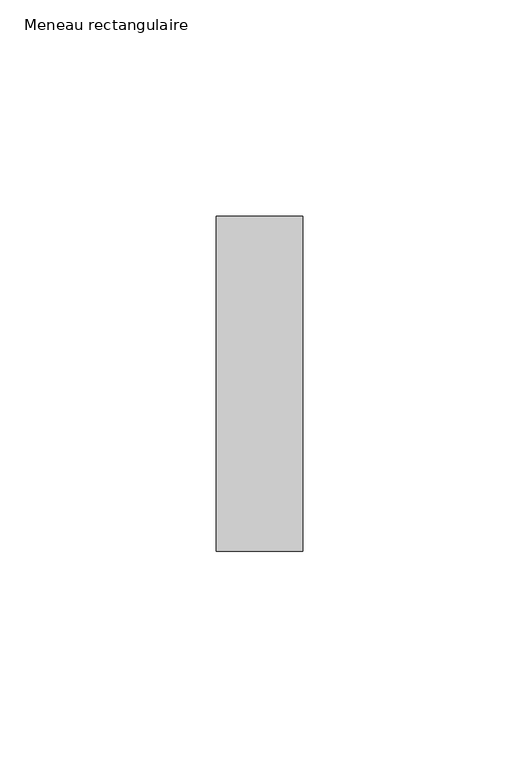
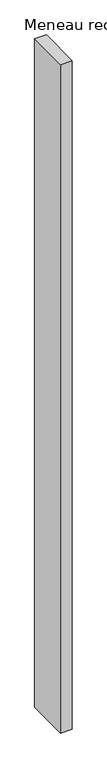
"""IFC4 building model written with IfcOpenShell, lengths in millimetres: member geometry, Meneau rectangulaire."""

from ifc_helpers import new_model, si_unit, frame, origin, place, context, project, spatial, polyline, outline, extrude, source, transform, mapped, element, save


def meneau_rectangulaire_b924d799(model_context):
    return source(origin(), model_context, "Body", "SweptSolid", [
        extrude(outline(polyline([(0.0, 38.75), (0.0, -38.75), (-20.0, -38.75), (-20.0, 38.75), (0.0, 38.75)])), frame((0.0, 0.0, -1219.6250002), z_axis=(0.0, 0.0, 1.0), x_axis=(1.0, 0.0, 0.0)), (0.0, 0.0, 1.0), 1219.6250002),
    ])


if __name__ == "__main__":
    model = new_model("IFC4")
    model_context = context("Model", 3, world=origin())
    ifc_project = project(units=[si_unit("LENGTHUNIT", "METRE", prefix="MILLI")], contexts=[model_context])
    site = spatial("IfcSite", under=ifc_project)
    building = spatial("IfcBuilding", under=site)
    placement = place(None, origin())
    meneau_rectangulaire_shape = meneau_rectangulaire_b924d799(model_context)
    element("IfcMember", 1, ObjectType="Meneau rectangulaire", at=placement, inside=building, context=model_context, shape_type="MappedRepresentation", body=[
        mapped(meneau_rectangulaire_shape, transform((0.0, 0.0, 0.0), x_axis=(1.0, 0.0, 0.0), y_axis=(0.0, 1.0, 0.0), z_axis=(0.0, 0.0, 1.0))),
    ])
    save(model, "model.ifc")
